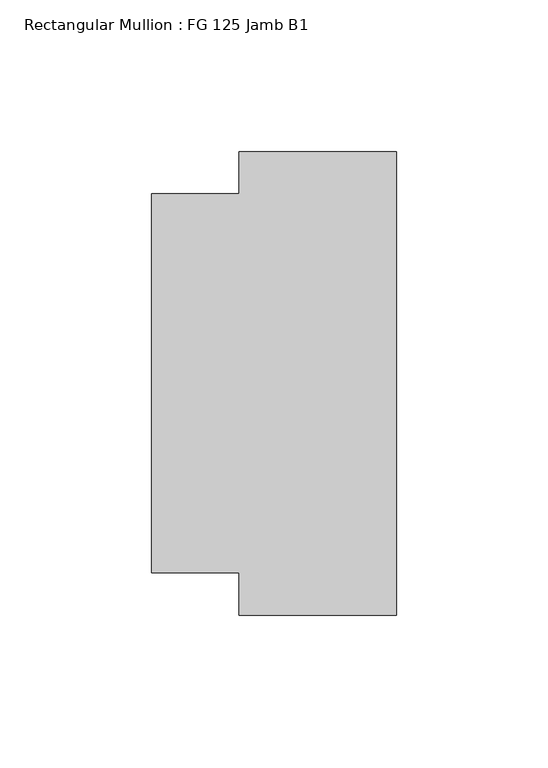
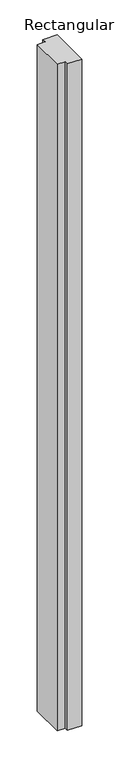
"""IFC4 building model written with IfcOpenShell, lengths in millimetres: member geometry, Rectangular Mullion : FG 125 Jamb B1."""

from ifc_helpers import new_model, si_unit, frame, origin, place, context, project, spatial, polyline, outline, extrude, source, transform, mapped, element, save


def rectangular_mullion_fg_125_jamb_b1_1d152163(model_context):
    return source(origin(), model_context, "Body", "SweptSolid", [
        extrude(outline(polyline([(0.0, 76.5), (0.0, -76.5), (-52.0, -76.5), (-52.0, -62.5), (-80.9079314, -62.5), (-80.9079314, 62.5001604), (-52.0, 62.5001604), (-52.0, 76.5), (0.0, 76.5)])), frame((0.0, 0.0, -2545.0), z_axis=(0.0, 0.0, 1.0), x_axis=(1.0, 0.0, 0.0)), (0.0, 0.0, 1.0), 2545.0),
    ])


if __name__ == "__main__":
    model = new_model("IFC4")
    model_context = context("Model", 3, world=origin())
    ifc_project = project(units=[si_unit("LENGTHUNIT", "METRE", prefix="MILLI")], contexts=[model_context])
    site = spatial("IfcSite", under=ifc_project)
    building = spatial("IfcBuilding", under=site)
    placement = place(None, origin())
    rectangular_mullion_fg_125_jamb_b1_shape = rectangular_mullion_fg_125_jamb_b1_1d152163(model_context)
    element("IfcMember", 1, ObjectType="Rectangular Mullion : FG 125 Jamb B1", at=placement, inside=building, context=model_context, shape_type="MappedRepresentation", body=[
        mapped(rectangular_mullion_fg_125_jamb_b1_shape, transform((0.0, 0.0, 0.0), x_axis=(1.0, 0.0, 0.0), y_axis=(0.0, 1.0, 0.0), z_axis=(0.0, 0.0, 1.0))),
    ])
    save(model, "model.ifc")
